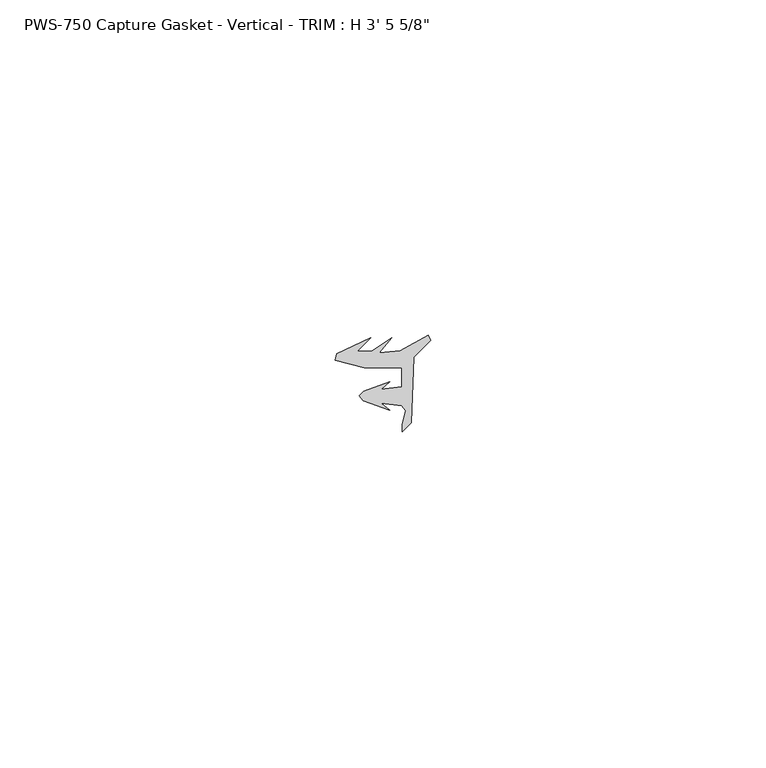
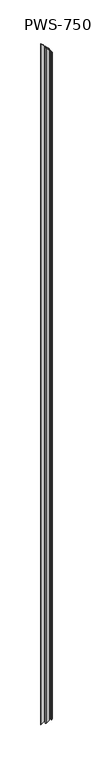
"""IFC4 building model written with IfcOpenShell, lengths in millimetres: proxy geometry."""

from ifc_helpers import new_model, si_unit, origin, place, context, project, spatial, faceted_brep, source, transform, mapped, element, save


def proxy_7e635a48(model_context):
    return source(origin(), model_context, "Body", "Brep", [
        faceted_brep([(10.5180104, 3.1126161, 1046.7569896), (10.5180104, 3.1126161, 10.5180104), (10.0363127, 1.1075685, 10.0363127), (10.0363127, 1.1075685, 1047.2386873), (10.0363127, 0.0, 10.0363127), (10.0363127, 0.0, 1047.2386873), (11.3945114, 1.3581987, 11.3945114), (11.3945114, 1.3581987, 1045.8804886), (11.7400908, 11.0876857, 11.7400908), (11.7400908, 11.0876857, 1045.5349092), (14.2921683, 13.6397632, 14.2921683), (14.2921683, 13.6397632, 1042.9828317), (13.9270181, 14.4184849, 13.9270181), (13.9270181, 14.4184849, 1043.3479819), (9.6912611, 12.0846322, 9.6912611), (9.6912611, 12.0846322, 1047.5837389), (6.5862777, 11.7844518, 6.5862777), (6.5862777, 11.7844518, 1050.6887223), (8.4293132, 14.0291241, 8.4293132), (8.4293132, 14.0291241, 1048.8456868), (5.4593479, 11.9730826, 5.4593479), (5.4593479, 11.9730826, 1051.8156521), (3.2925728, 11.9730826, 3.2925728), (3.2925728, 11.9730826, 1053.9824272), (5.3486143, 14.0291241, 5.3486143), (5.3486143, 14.0291241, 1051.9263857), (0.2465562, 11.6592287, 0.2465562), (0.2465562, 11.6592287, 1057.0284438), (0.0, 10.6566114, 0.0), (0.0, 10.6566114, 1057.275), (4.3825047, 9.5788982, 4.3825047), (4.3825047, 9.5788982, 1052.8924953), (9.9694015, 9.5788982, 9.9694015), (9.9694015, 9.5788982, 1047.3055985), (9.9694015, 6.7342387, 9.9694015), (9.9694015, 6.7342387, 1047.3055985), (6.8541528, 6.3641713, 6.8541528), (6.8541528, 6.3641713, 1050.4208472), (8.1534683, 7.4537739, 8.1534683), (8.1534683, 7.4537739, 1049.1215317), (4.2455601, 6.061435, 4.2455601), (4.2455601, 6.061435, 1053.0294399), (3.6194015, 5.3411219, 3.6194015), (3.6194015, 5.3411219, 1053.6555985), (4.2087587, 4.5858484, 4.2087587), (4.2087587, 4.5858484, 1053.0662413), (8.1534683, 3.1803976, 8.1534683), (8.1534683, 3.1803976, 1049.1215317), (6.8541528, 4.2700002, 6.8541528), (6.8541528, 4.2700002, 1050.4208472), (9.9694015, 3.8999328, 9.9694015), (9.9694015, 3.8999328, 1047.3055985)], [[[0, 1, 2, 3]], [[3, 2, 4, 5]], [[5, 4, 6, 7]], [[7, 6, 8, 9]], [[9, 8, 10, 11]], [[11, 10, 12, 13]], [[13, 12, 14, 15]], [[15, 14, 16, 17]], [[17, 16, 18, 19]], [[19, 18, 20, 21]], [[21, 20, 22, 23]], [[23, 22, 24, 25]], [[25, 24, 26, 27]], [[28, 29, 27, 26]], [[29, 28, 30, 31]], [[31, 30, 32, 33]], [[33, 32, 34, 35]], [[35, 34, 36, 37]], [[37, 36, 38, 39]], [[39, 38, 40, 41]], [[41, 40, 42, 43]], [[43, 42, 44, 45]], [[45, 44, 46, 47]], [[47, 46, 48, 49]], [[49, 48, 50, 51]], [[1, 0, 51, 50]], [[2, 1, 50, 48, 46, 44, 42, 40, 38, 36, 34, 32, 30, 28, 26, 24, 22, 20, 18, 16, 14, 12, 10, 8, 6, 4]], [[0, 3, 5, 7, 9, 11, 13, 15, 17, 19, 21, 23, 25, 27, 29, 31, 33, 35, 37, 39, 41, 43, 45, 47, 49, 51]]]),
    ])


if __name__ == "__main__":
    model = new_model("IFC4")
    model_context = context("Model", 3, world=origin())
    ifc_project = project(units=[si_unit("LENGTHUNIT", "METRE", prefix="MILLI")], contexts=[model_context])
    site = spatial("IfcSite", under=ifc_project)
    building = spatial("IfcBuilding", under=site)
    placement = place(None, origin())
    proxy_shape = proxy_7e635a48(model_context)
    element("IfcBuildingElementProxy", 1, Name="PWS-750 Capture Gasket - Vertical - TRIM : H 3' 5 5/8\"", ObjectType="PWS-750 Capture Gasket - Vertical - TRIM : H 3' 5 5/8\"", at=placement, inside=building, context=model_context, shape_type="MappedRepresentation", body=[
        mapped(proxy_shape, transform((0.0, 0.0, 0.0), x_axis=(1.0, 0.0, 0.0), y_axis=(0.0, 1.0, 0.0), z_axis=(0.0, 0.0, 1.0))),
    ])
    save(model, "model.ifc")
